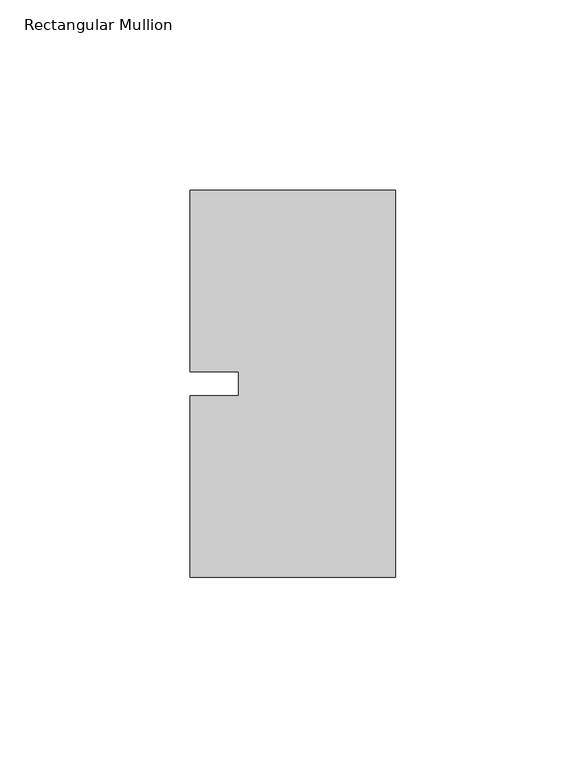
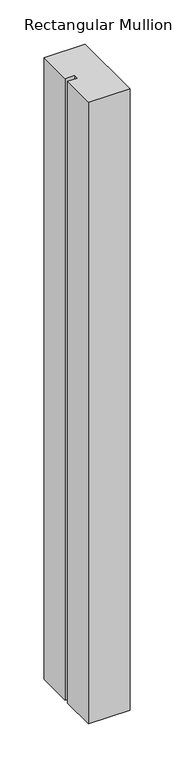
"""IFC4 building model written with IfcOpenShell, lengths in millimetres: member geometry, Rectangular Mullion."""

from ifc_helpers import new_model, si_unit, frame, origin, place, context, project, spatial, polyline, outline, extrude, source, transform, mapped, element, save


def rectangular_mullion_4433139a(model_context):
    return source(origin(), model_context, "Body", "SweptSolid", [
        extrude(outline(polyline([(-53.975, 50.8), (0.0, 50.8), (0.0, -50.8), (-53.975, -50.8), (-53.975, -3.175), (-41.2732296, -3.175), (-41.2732296, 3.175), (-53.975, 3.175), (-53.975, 50.8)])), frame((0.0, 0.0, -860.425), z_axis=(0.0, 0.0, 1.0), x_axis=(1.0, 0.0, 0.0)), (0.0, 0.0, 1.0), 860.425),
    ])


if __name__ == "__main__":
    model = new_model("IFC4")
    model_context = context("Model", 3, world=origin())
    ifc_project = project(units=[si_unit("LENGTHUNIT", "METRE", prefix="MILLI")], contexts=[model_context])
    site = spatial("IfcSite", under=ifc_project)
    building = spatial("IfcBuilding", under=site)
    placement = place(None, origin())
    rectangular_mullion_shape = rectangular_mullion_4433139a(model_context)
    element("IfcMember", 1, ObjectType="Rectangular Mullion", at=placement, inside=building, context=model_context, shape_type="MappedRepresentation", body=[
        mapped(rectangular_mullion_shape, transform((0.0, 0.0, 0.0), x_axis=(1.0, 0.0, 0.0), y_axis=(0.0, 1.0, 0.0), z_axis=(0.0, 0.0, 1.0))),
    ])
    save(model, "model.ifc")
